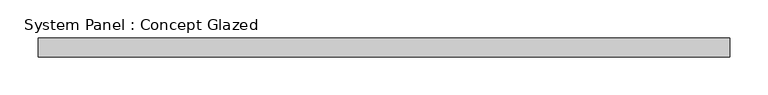
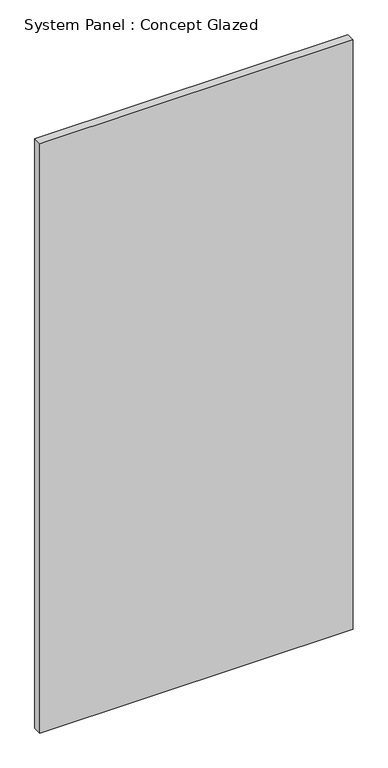
"""IFC4 building model written with IfcOpenShell, lengths in millimetres: plate geometry, System Panel : Concept Glazed."""

import ifcopenshell
import ifcopenshell.guid

model = None  # the IFC model being written
_history = None  # IfcOwnerHistory: only IFC2X3 demands one
_inside = {}  # id of a spatial element -> (the spatial element, [elements in it])
_under = {}  # id of a project, library or spatial element -> (it, [spatial elements below it])
_declared = {}  # id of a project -> (the project, [libraries it declares])
_typed = {}  # id of a type object -> (the type object, [elements of that type])
_made_of = {}  # id of a material, layer set ... -> (it, [elements and type objects made of it])


def new_model(schema):
    """Start an empty IFC model of exactly this schema.

    Asked for "IFC4X3", IfcOpenShell would pick the latest addendum, in which some entities
    have other attributes; the version numbers below select the first issue.
    IFC2X3 requires an IfcOwnerHistory on every rooted entity: one is made here for all.
    """
    global model, _history
    if schema == "IFC4X3":
        model = ifcopenshell.file(schema_version=(4, 3, 0, 0))
    else:
        model = ifcopenshell.file(schema=schema)
    _inside.clear()
    _under.clear()
    _declared.clear()
    _typed.clear()
    _made_of.clear()
    _history = None
    if model.schema == "IFC2X3":
        org = make("IfcOrganization", Name="unknown")
        user = make(
            "IfcPersonAndOrganization",
            ThePerson=make("IfcPerson", FamilyName="unknown"),
            TheOrganization=org,
        )
        app = make(
            "IfcApplication",
            ApplicationDeveloper=org,
            Version="unknown",
            ApplicationFullName="unknown",
            ApplicationIdentifier="unknown",
        )
        _history = make(
            "IfcOwnerHistory",
            OwningUser=user,
            OwningApplication=app,
            ChangeAction="ADDED",
            CreationDate=0,
        )
    return model


def make(cls, **values):
    """One entity of the class cls with the attributes given. An attribute that is None is left unset."""
    return model.create_entity(
        cls, **{name: value for name, value in values.items() if value is not None}
    )


def rooted(cls, **values):
    """An entity with a GlobalId (a new one), such as an element, a storey or a relation."""
    return make(cls, GlobalId=ifcopenshell.guid.new(), OwnerHistory=_history, **values)


def si_unit(unit_type, name, prefix=None):
    """IfcSIUnit, for example si_unit("LENGTHUNIT", "METRE", prefix="MILLI")."""
    return make("IfcSIUnit", UnitType=unit_type, Prefix=prefix, Name=name)


def assignment(units):
    """IfcUnitAssignment: the units of a project."""
    return None if units is None else make("IfcUnitAssignment", Units=units)


def point(xyz):
    """IfcCartesianPoint."""
    return None if xyz is None else make("IfcCartesianPoint", Coordinates=xyz)


def direction(xyz):
    """IfcDirection."""
    return None if xyz is None else make("IfcDirection", DirectionRatios=xyz)


def frame(location, z_axis=None, x_axis=None):
    """IfcAxis2Placement3D, a coordinate frame: its origin and axes. An axis left out is left unset."""
    return make(
        "IfcAxis2Placement3D",
        Location=point(location),
        Axis=direction(z_axis),
        RefDirection=direction(x_axis),
    )


def origin():
    """The frame at (0, 0, 0) with its axes left unset."""
    return frame((0.0, 0.0, 0.0))


def origin_with_axes():
    """The frame at (0, 0, 0) with the z axis (0, 0, 1) and the x axis (1, 0, 0) written out."""
    return frame((0.0, 0.0, 0.0), z_axis=(0.0, 0.0, 1.0), x_axis=(1.0, 0.0, 0.0))


def place(relative_to, where):
    """IfcLocalPlacement: puts the frame where relative to a parent placement (None: the world)."""
    return make(
        "IfcLocalPlacement", PlacementRelTo=relative_to, RelativePlacement=where
    )


def context(
    kind, dimensions, precision=None, world=None, true_north=None, identifier=None
):
    """IfcGeometricRepresentationContext, for example the 3D "Model" context."""
    return make(
        "IfcGeometricRepresentationContext",
        ContextIdentifier=identifier,
        ContextType=kind,
        CoordinateSpaceDimension=dimensions,
        Precision=precision,
        WorldCoordinateSystem=world,
        TrueNorth=true_north,
    )


def project(units=None, contexts=None):
    """IfcProject with its units and contexts."""
    return rooted(
        "IfcProject",
        Name="project",
        RepresentationContexts=contexts,
        UnitsInContext=assignment(units),
    )


def spatial(cls, under=None, at=None, **own):
    """A site, building, storey or space (cls), placed at a placement, below another one or the project."""
    s = rooted(cls, ObjectPlacement=at, **own)
    if under is not None:
        _under.setdefault(under.id(), (under, []))[1].append(s)
    return s


def polyline(points):
    """IfcPolyline through the points."""
    return make("IfcPolyline", Points=[point(p) for p in points])


def outline(outer, holes=None, kind="AREA"):
    """IfcArbitraryClosedProfileDef: a profile drawn as a closed curve; with holes, ...WithVoids."""
    if holes is None:
        return make("IfcArbitraryClosedProfileDef", ProfileType=kind, OuterCurve=outer)
    return make(
        "IfcArbitraryProfileDefWithVoids",
        ProfileType=kind,
        OuterCurve=outer,
        InnerCurves=holes,
    )


def extrude(swept, where, along, depth):
    """IfcExtrudedAreaSolid: the profile swept, set in the frame where, extruded along a direction by depth."""
    return make(
        "IfcExtrudedAreaSolid",
        SweptArea=swept,
        Position=where,
        ExtrudedDirection=direction(along),
        Depth=depth,
    )


def shape(context_of_items, identifier, shape_type, items):
    """IfcShapeRepresentation: the items that make up one representation, for example the "Body"."""
    return make(
        "IfcShapeRepresentation",
        ContextOfItems=context_of_items,
        RepresentationIdentifier=identifier,
        RepresentationType=shape_type,
        Items=items,
    )


def source(mapping_origin, context_of_items, identifier, shape_type, items):
    """IfcRepresentationMap: a shape defined once, which mapped items show again and again."""
    return make(
        "IfcRepresentationMap",
        MappingOrigin=mapping_origin,
        MappedRepresentation=shape(context_of_items, identifier, shape_type, items),
    )


def transform(
    local_origin,
    x_axis=None,
    y_axis=None,
    z_axis=None,
    scale=None,
    scale2=None,
    scale3=None,
    uniform=True,
):
    """IfcCartesianTransformationOperator3D, or its non-uniform kind. x_axis, y_axis, z_axis: its Axis1, 2, 3."""
    if uniform:
        return make(
            "IfcCartesianTransformationOperator3D",
            Axis1=direction(x_axis),
            Axis2=direction(y_axis),
            LocalOrigin=point(local_origin),
            Scale=scale,
            Axis3=direction(z_axis),
        )
    return make(
        "IfcCartesianTransformationOperator3DnonUniform",
        Axis1=direction(x_axis),
        Axis2=direction(y_axis),
        LocalOrigin=point(local_origin),
        Scale=scale,
        Axis3=direction(z_axis),
        Scale2=scale2,
        Scale3=scale3,
    )


def mapped(mapping_source, mapping_target):
    """IfcMappedItem: shows the shape of a source again, moved by a transform."""
    return make(
        "IfcMappedItem", MappingSource=mapping_source, MappingTarget=mapping_target
    )


def made_of(thing, what):
    """Note that an element or type object is made of a material, layer set ...; save() writes the relation."""
    if what is not None:
        _made_of.setdefault(what.id(), (what, []))[1].append(thing)
    return thing


def element(
    cls,
    number,
    at=None,
    inside=None,
    cuts=None,
    type_object=None,
    material=None,
    context=None,
    identifier="Body",
    shape_type=None,
    held_by="IfcProductDefinitionShape",
    body=None,
    shapes=None,
    **own,
):
    """One element of the class cls, such as IfcWall. Its Tag is "e" and its number.

    at: its placement. inside: the storey or other place that contains it. cuts: it is an
    opening in that element (IfcRelVoidsElement). A single representation is given by context,
    identifier, shape_type and body (its items); several are given by shapes. held_by: the class
    of the entity that holds the representations. save() writes the other relations.
    """
    e = rooted(cls, Tag="e%d" % number, ObjectPlacement=at, **own)
    if body is not None:
        shapes = [shape(context, identifier, shape_type, body)]
    if shapes is not None:
        e.Representation = make(held_by, Representations=shapes)
    if inside is not None:
        _inside.setdefault(inside.id(), (inside, []))[1].append(e)
    if cuts is not None:
        rooted(
            "IfcRelVoidsElement", RelatingBuildingElement=cuts, RelatedOpeningElement=e
        )
    if type_object is not None:
        _typed.setdefault(type_object.id(), (type_object, []))[1].append(e)
    return made_of(e, material)


def aggregate(whole, parts):
    """IfcRelAggregates: a whole, such as a stair, and the parts it consists of."""
    return rooted("IfcRelAggregates", RelatingObject=whole, RelatedObjects=parts)


def save(model, path):
    """Write the relations noted so far, then the file.

    IfcRelAggregates (storeys below a building ...), IfcRelContainedInSpatialStructure (elements
    in a storey), IfcRelDefinesByType, IfcRelAssociatesMaterial and IfcRelDeclares: one each for
    every whole, place, type object, material and project.
    """
    for whole, parts in _under.values():
        aggregate(whole, parts)
    for where, things in _inside.values():
        rooted(
            "IfcRelContainedInSpatialStructure",
            RelatedElements=things,
            RelatingStructure=where,
        )
    for kind, things in _typed.values():
        rooted("IfcRelDefinesByType", RelatedObjects=things, RelatingType=kind)
    for what, things in _made_of.values():
        rooted("IfcRelAssociatesMaterial", RelatedObjects=things, RelatingMaterial=what)
    for by, libraries in _declared.values():
        rooted("IfcRelDeclares", RelatingContext=by, RelatedDefinitions=libraries)
    model.write(path)


def system_panel_concept_glazed_0d9fe4b8(model_context):
    return source(origin(), model_context, "Body", "SweptSolid", [
        extrude(outline(polyline([(455.0, 0.0), (-455.0, 0.0), (-455.0, 25.0), (455.0, 25.0), (455.0, 0.0)])), origin_with_axes(), (0.0, 0.0, 1.0), 1810.0),
    ])


if __name__ == "__main__":
    model = new_model("IFC4")
    model_context = context("Model", 3, world=origin())
    ifc_project = project(units=[si_unit("LENGTHUNIT", "METRE", prefix="MILLI")], contexts=[model_context])
    site = spatial("IfcSite", under=ifc_project)
    building = spatial("IfcBuilding", under=site)
    placement = place(None, origin())
    system_panel_concept_glazed_shape = system_panel_concept_glazed_0d9fe4b8(model_context)
    element("IfcPlate", 1, ObjectType="System Panel : Concept Glazed", at=placement, inside=building, context=model_context, shape_type="MappedRepresentation", body=[
        mapped(system_panel_concept_glazed_shape, transform((0.0, 0.0, 0.0), x_axis=(1.0, 0.0, 0.0), y_axis=(0.0, 1.0, 0.0), z_axis=(0.0, 0.0, 1.0))),
    ])
    save(model, "model.ifc")
